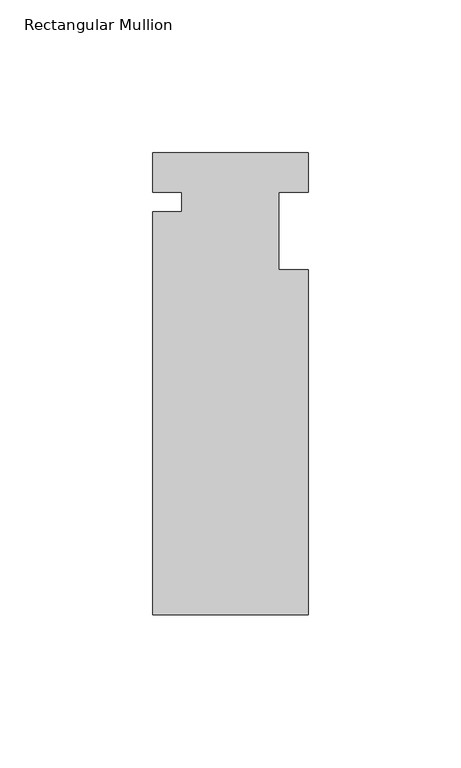
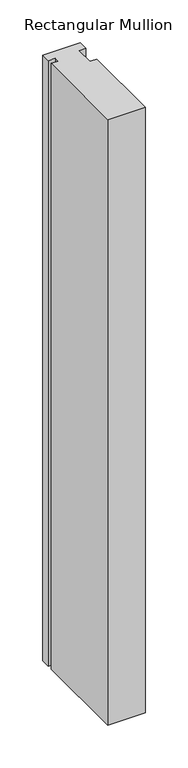
"""IFC4 building model written with IfcOpenShell, lengths in millimetres: member geometry, Rectangular Mullion."""

from ifc_helpers import new_model, si_unit, frame, origin, place, context, project, spatial, polyline, outline, extrude, source, transform, mapped, element, save


def rectangular_mullion_60be789c(model_context):
    return source(origin(), model_context, "Body", "SweptSolid", [
        extrude(outline(polyline([(-25.4, 12.88415), (25.4, 12.88415), (25.4, 0.0), (15.875, 0.0), (15.875, -25.4), (25.4, -25.4), (25.4, -138.29665), (-25.4, -138.29665), (-25.4, -6.35), (-15.875, -6.35), (-15.875, 0.0), (-25.4, 0.0), (-25.4, 12.88415)])), frame((0.0, 0.0, -863.6), z_axis=(0.0, 0.0, 1.0), x_axis=(1.0, 0.0, 0.0)), (0.0, 0.0, 1.0), 863.6),
    ])


if __name__ == "__main__":
    model = new_model("IFC4")
    model_context = context("Model", 3, world=origin())
    ifc_project = project(units=[si_unit("LENGTHUNIT", "METRE", prefix="MILLI")], contexts=[model_context])
    site = spatial("IfcSite", under=ifc_project)
    building = spatial("IfcBuilding", under=site)
    placement = place(None, origin())
    rectangular_mullion_shape = rectangular_mullion_60be789c(model_context)
    element("IfcMember", 1, ObjectType="Rectangular Mullion", at=placement, inside=building, context=model_context, shape_type="MappedRepresentation", body=[
        mapped(rectangular_mullion_shape, transform((0.0, 0.0, 0.0), x_axis=(1.0, 0.0, 0.0), y_axis=(0.0, 1.0, 0.0), z_axis=(0.0, 0.0, 1.0))),
    ])
    save(model, "model.ifc")
